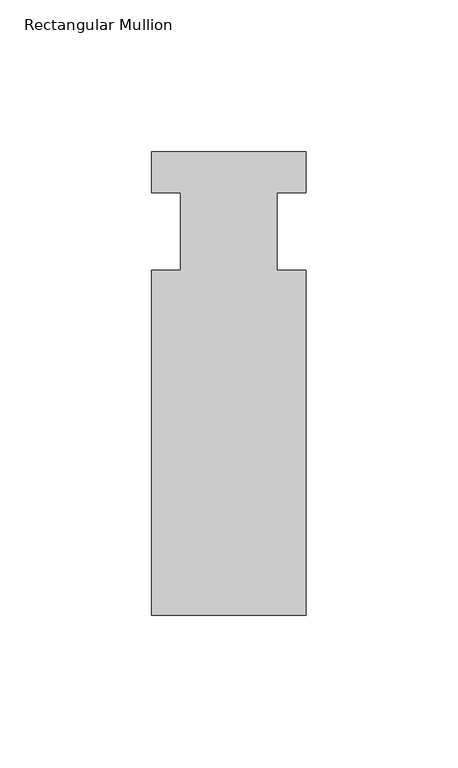
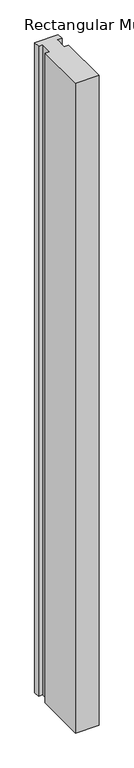
"""IFC4 building model written with IfcOpenShell, lengths in millimetres: member geometry, Rectangular Mullion."""

from ifc_helpers import new_model, si_unit, frame, origin, place, context, project, spatial, polyline, outline, extrude, source, transform, mapped, element, save


def rectangular_mullion_b46b6b3a(model_context):
    return source(origin(), model_context, "Body", "SweptSolid", [
        extrude(outline(polyline([(-25.4, 26.19375), (25.4, 26.19375), (25.4, 12.7), (15.875, 12.7), (15.875, -12.7), (25.4, -12.7), (25.4, -126.20625), (-25.4, -126.20625), (-25.4, -12.7), (-15.875, -12.7), (-15.875, 12.7), (-25.4, 12.7), (-25.4, 26.19375)])), frame((0.0, 0.0, -1485.9), z_axis=(0.0, 0.0, 1.0), x_axis=(1.0, 0.0, 0.0)), (0.0, 0.0, 1.0), 1485.9),
    ])


if __name__ == "__main__":
    model = new_model("IFC4")
    model_context = context("Model", 3, world=origin())
    ifc_project = project(units=[si_unit("LENGTHUNIT", "METRE", prefix="MILLI")], contexts=[model_context])
    site = spatial("IfcSite", under=ifc_project)
    building = spatial("IfcBuilding", under=site)
    placement = place(None, origin())
    rectangular_mullion_shape = rectangular_mullion_b46b6b3a(model_context)
    element("IfcMember", 1, ObjectType="Rectangular Mullion", at=placement, inside=building, context=model_context, shape_type="MappedRepresentation", body=[
        mapped(rectangular_mullion_shape, transform((0.0, 0.0, 0.0), x_axis=(1.0, 0.0, 0.0), y_axis=(0.0, 1.0, 0.0), z_axis=(0.0, 0.0, 1.0))),
    ])
    save(model, "model.ifc")
